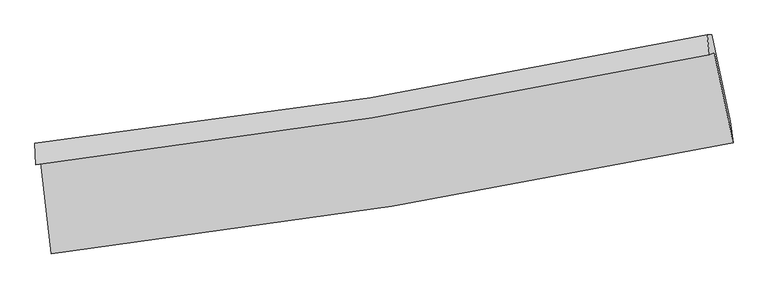
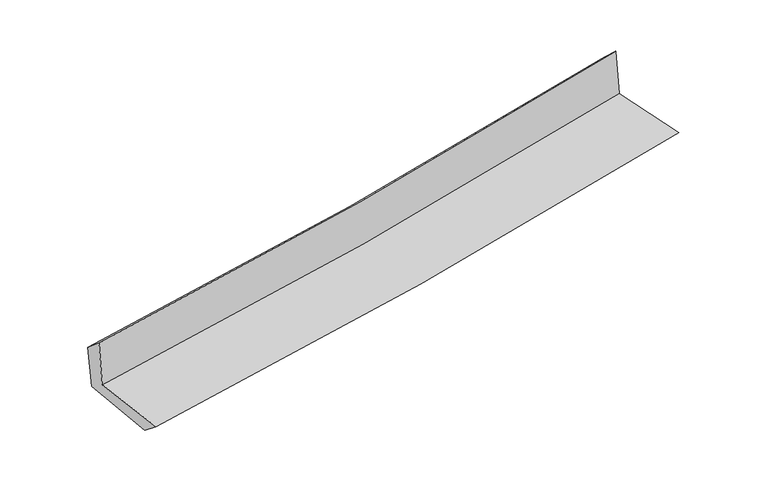
"""IFC4 building model written with IfcOpenShell, lengths in millimetres: proxy geometry."""

from ifc_helpers import new_model, si_unit, frame, origin, place, context, project, spatial, source, transform, mapped, element, save
from ifc_brep_helpers import plane_surface, spline_curve, spline_surface, advanced_brep


def generic_models_942ad541(model_context):
    return source(origin(), model_context, "Body", "AdvancedBrep", [
        advanced_brep(
        [(-2480.3869575, -1882.0029661, 1668.2375695), (-2401.1330823, -2545.0856484, 1661.1712275), (2569.1386992, -1733.6801771, 2109.8018662), (2432.4052559, -1080.5242958, 2118.6570315), (-2515.2829862, -1894.7499775, 2069.6226588), (2397.0742788, -1093.4301875, 2525.0450335), (-2521.8232378, -1738.2762811, 1937.2056933), (2379.936801, -948.8857917, 2386.7345897), (-2488.7030891, -1738.7211174, 1572.6421228), (2414.5519979, -949.1661129, 2017.3279554), (-2408.2385086, -2390.8258078, 1537.878902), (2548.5126191, -1579.9234452, 1988.2931483)],
        [
            (0, 1),
            (1, 2, spline_curve(3, [(-2401.1330823, -2545.0856484, 1661.1712275), (-1571.393796359, -2448.146430738, 1735.524447847), (-744.530629588, -2332.520981482, 1809.88730125), (912.288710648, -2062.455826274, 1959.430639329), (1742.182804616, -1907.612784951, 2034.611332395), (2569.1386992, -1733.6801771, 2109.8018662)], [4, 2, 4], [0.0, 8.204890313388452, 16.49785758019963])),
            (2, 3),
            (3, 0, spline_curve(3, [(2432.4052559, -1080.5242958, 2118.6570315), (1615.651001716, -1252.088064268, 2040.871682418), (795.671741365, -1404.916919244, 1964.249843693), (-841.993802892, -1671.680634279, 1814.13460628), (-1659.611946897, -1786.01133587, 1740.616624317), (-2480.3869575, -1882.0029661, 1668.2375695)], [4, 2, 4], [0.0, 8.292967266811177, 16.49785758019963])),
            (4, 0),
            (3, 5),
            (5, 4, spline_curve(3, [(2397.0742788, -1093.4301875, 2525.0450335), (1580.252342329, -1265.018679178, 2448.038187868), (760.276055124, -1417.846448296, 2371.382150078), (-877.243013439, -1684.556657876, 2219.582103768), (-1694.71914796, -1798.835485374, 2144.430683415), (-2515.2829862, -1894.7499775, 2069.6226588)], [4, 2, 4], [0.0, 8.245175093555225, 16.402780819076938])),
            (6, 4),
            (5, 7),
            (7, 6, spline_curve(3, [(2379.936801, -948.8857917, 2386.7345897), (1565.210293038, -1121.826930133, 2312.651855382), (747.168683348, -1274.322660587, 2237.946449054), (-886.821372767, -1537.020841962, 2088.09032738), (-1702.699775927, -1647.655274497, 2012.952768485), (-2521.8232378, -1738.2762811, 1937.2056933)], [4, 2, 4], [0.0, 8.234833325497231, 16.38220711957241])),
            (8, 6),
            (7, 9),
            (9, 8, spline_curve(3, [(2414.5519979, -949.1661129, 2017.3279554), (1600.024165531, -1122.149268394, 1939.082138737), (781.955442001, -1274.67975183, 1862.71421332), (-852.537734019, -1537.432617575, 1714.525279315), (-1668.887372974, -1648.087135801, 1642.664594085), (-2488.7030891, -1738.7211174, 1572.6421228)], [4, 2, 4], [0.0, 8.225363143469036, 16.363367335290974])),
            (10, 8),
            (9, 11),
            (11, 10, spline_curve(3, [(2548.5126191, -1579.9234452, 1988.2931483), (1724.400740935, -1754.450886118, 1909.17871704), (897.059847683, -1909.547381461, 1831.896324312), (-755.258752878, -2179.437621115, 1681.796950569), (-1580.168235329, -2294.641913059, 1608.9412612), (-2408.2385086, -2390.8258078, 1537.878902)], [4, 2, 4], [0.0, 8.272693939210134, 16.457526241527006])),
            (1, 10),
            (11, 2),
        ],
        [
            spline_surface(3, 3, [[(-2480.3869575, -1882.0029661, 1668.2375695), (-1659.61194691, -1786.011335902, 1740.616624295), (-841.993802862, -1671.68063426, 1814.134606313), (795.671741335, -1404.916919263, 1964.24984366), (1615.651001781, -1252.088064134, 2040.871682339), (2432.4052559, -1080.5242958, 2118.6570315)], [(-2453.968999113, -2103.030526878, 1665.882122166), (-1630.205896752, -2006.723034165, 1738.919232128), (-809.506078479, -1891.960750017, 1812.71883791), (834.544064467, -1624.096554902, 1962.643442245), (1657.828269378, -1470.596304391, 2038.784899022), (2477.983070356, -1298.242922912, 2115.705309751)], [(-2427.551040687, -2324.058087622, 1663.526674834), (-1600.799846553, -2227.434732394, 1737.221839965), (-777.018354074, -2112.240865796, 1811.303069537), (873.416387621, -1843.276190563, 1961.037040861), (1700.005536908, -1689.104544613, 2036.698115653), (2523.560884744, -1515.961549988, 2112.753587949)], [(-2401.1330823, -2545.0856484, 1661.1712275), (-1571.393796394, -2448.146430657, 1735.524447798), (-744.530629691, -2332.520981553, 1809.887301135), (912.288710752, -2062.455826203, 1959.430639446), (1742.182804505, -1907.61278487, 2034.611332337), (2569.1386992, -1733.6801771, 2109.8018662)]], [4, 4], [4, 2, 4], [0.0, 2.1910699383891044], [0.0, 8.204890313388452, 16.49785758019963]),
            spline_surface(3, 3, [[(-2515.2829862, -1894.7499775, 2069.6226588), (-1694.71914788, -1798.835485458, 2144.430683391), (-877.243013437, -1684.556657876, 2219.582103838), (760.276055122, -1417.846448296, 2371.382150007), (1580.252342348, -1265.018679205, 2448.038187787), (2397.0742788, -1093.4301875, 2525.0450335)], [(-2503.650976613, -1890.500973699, 1935.82762903), (-1683.016747536, -1794.560768939, 2009.825997022), (-865.493276577, -1680.264650016, 2084.432937992), (772.074617195, -1413.536605297, 2235.67138122), (1592.051895501, -1260.708474179, 2312.316019284), (2408.851271175, -1089.128223597, 2389.582366146)], [(-2492.018967087, -1886.251969901, 1802.03259927), (-1671.314347254, -1790.286052421, 1875.221310663), (-853.743539722, -1675.97264212, 1949.283772159), (783.873179263, -1409.226762262, 2099.960612447), (1603.851448628, -1256.39826916, 2176.593850842), (2420.628263525, -1084.826259703, 2254.119698854)], [(-2480.3869575, -1882.0029661, 1668.2375695), (-1659.61194691, -1786.011335902, 1740.616624295), (-841.993802862, -1671.68063426, 1814.134606313), (795.671741335, -1404.916919263, 1964.24984366), (1615.651001781, -1252.088064134, 2040.871682339), (2432.4052559, -1080.5242958, 2118.6570315)]], [4, 4], [4, 2, 4], [0.0, 1.3386990963301753], [0.0, 8.157605725521712, 16.402780819076938]),
            spline_surface(3, 3, [[(-2521.8232378, -1738.2762811, 1937.2056933), (-1702.69977604, -1647.655274374, 2012.952768365), (-886.821372854, -1537.020841826, 2088.0903274), (747.168683436, -1274.322660723, 2237.946449034), (1565.210293139, -1121.826930197, 2312.651855465), (2379.936801, -948.8857917, 2386.7345897)], [(-2519.643153941, -1790.434179886, 1981.344681813), (-1700.039566661, -1698.048678054, 2056.778740052), (-883.628586385, -1586.199447163, 2131.920919553), (751.537807328, -1322.163923235, 2282.425016031), (1570.224309511, -1169.55751322, 2357.780632921), (2385.649293569, -997.067256986, 2432.838070982)], [(-2517.463070059, -1842.592078714, 2025.483670287), (-1697.379357259, -1748.442081777, 2100.604711703), (-880.435799906, -1635.378052539, 2175.751511686), (755.90693123, -1370.005185785, 2326.903583009), (1575.238325976, -1217.288096183, 2402.909410332), (2391.361786231, -1045.248722214, 2478.941552218)], [(-2515.2829862, -1894.7499775, 2069.6226588), (-1694.71914788, -1798.835485458, 2144.430683391), (-877.243013437, -1684.556657876, 2219.582103838), (760.276055122, -1417.846448296, 2371.382150007), (1580.252342348, -1265.018679205, 2448.038187787), (2397.0742788, -1093.4301875, 2525.0450335)]], [4, 4], [4, 2, 4], [0.0, 0.6466770383680807], [0.0, 8.147373794075179, 16.38220711957241]),
            spline_surface(3, 3, [[(-2488.7030891, -1738.7211174, 1572.6421228), (-1668.887372988, -1648.087135854, 1642.664594064), (-852.537734148, -1537.432617681, 1714.525279448), (781.955442131, -1274.679751723, 1862.714213186), (1600.024165607, -1122.149268401, 1939.082138644), (2414.5519979, -949.1661129, 2017.3279554)], [(-2499.743138658, -1738.572838637, 1694.163312964), (-1680.158173997, -1647.94318203, 1766.093985495), (-863.965613715, -1537.295359071, 1839.04696212), (770.359855902, -1274.560721397, 1987.791625157), (1588.419541473, -1122.04182231, 2063.605377569), (2403.013598955, -949.072672477, 2140.463500151)], [(-2510.783188242, -1738.424559863, 1815.684503136), (-1691.428975031, -1647.799228197, 1889.523376934), (-875.393493288, -1537.158100437, 1963.568644728), (758.764269665, -1274.441691049, 2112.869037063), (1576.814917273, -1121.934376289, 2188.12861654), (2391.475199945, -948.979232123, 2263.599044949)], [(-2521.8232378, -1738.2762811, 1937.2056933), (-1702.69977604, -1647.655274374, 2012.952768365), (-886.821372854, -1537.020841826, 2088.0903274), (747.168683436, -1274.322660723, 2237.946449034), (1565.210293139, -1121.826930197, 2312.651855465), (2379.936801, -948.8857917, 2386.7345897)]], [4, 4], [4, 2, 4], [0.0, 1.2335864694842398], [0.0, 8.138004191821938, 16.363367335290974]),
            spline_surface(3, 3, [[(-2408.2385086, -2390.8258078, 1537.878902), (-1580.168235225, -2294.641913169, 1608.941261124), (-755.25875277, -2179.437621091, 1681.796950563), (897.059847573, -1909.547381485, 1831.896324318), (1724.400741034, -1754.450886028, 1909.178716984), (2548.5126191, -1579.9234452, 1988.2931483)], [(-2435.060035447, -2173.457577669, 1549.466642268), (-1609.74128116, -2079.123654067, 1620.182372105), (-787.685079885, -1965.435953287, 1692.706393505), (858.691712436, -1697.924838231, 1842.168953921), (1682.941882562, -1543.683680151, 1919.146524221), (2503.859078704, -1369.671001098, 1997.97141735)], [(-2461.881562253, -1956.089347531, 1561.054382532), (-1639.314327053, -1863.605394956, 1631.423483082), (-820.111407033, -1751.434285485, 1703.615836506), (820.323577268, -1486.302294977, 1852.441583584), (1641.483024079, -1332.916474279, 1929.114331407), (2459.205538296, -1159.418557002, 2007.64968635)], [(-2488.7030891, -1738.7211174, 1572.6421228), (-1668.887372988, -1648.087135854, 1642.664594064), (-852.537734148, -1537.432617681, 1714.525279448), (781.955442131, -1274.679751723, 1862.714213186), (1600.024165607, -1122.149268401, 1939.082138644), (2414.5519979, -949.1661129, 2017.3279554)]], [4, 4], [4, 2, 4], [0.0, 2.125868235483238], [0.0, 8.184832302316872, 16.457526241527006]),
            spline_surface(3, 3, [[(-2401.1330823, -2545.0856484, 1661.1712275), (-1571.393796394, -2448.146430657, 1735.524447798), (-744.530629691, -2332.520981553, 1809.887301135), (912.288710752, -2062.455826203, 1959.430639446), (1742.182804505, -1907.61278487, 2034.611332337), (2569.1386992, -1733.6801771, 2109.8018662)], [(-2403.501557728, -2493.66570153, 1620.073785659), (-1574.318609333, -2396.978258158, 1693.330052233), (-748.106670721, -2281.493194733, 1767.190517618), (907.212423022, -2011.486344631, 1916.919201077), (1736.255449989, -1856.558818585, 1992.800460539), (2562.263339142, -1682.42793313, 2069.29896022)], [(-2405.870033172, -2442.24575467, 1578.976343841), (-1577.243422287, -2345.810085668, 1651.135656689), (-751.68271174, -2230.46540791, 1724.49373408), (902.136135303, -1960.516863057, 1874.407762687), (1730.328095549, -1805.504852312, 1950.989588781), (2555.387979158, -1631.17568917, 2028.79605428)], [(-2408.2385086, -2390.8258078, 1537.878902), (-1580.168235225, -2294.641913169, 1608.941261124), (-755.25875277, -2179.437621091, 1681.796950563), (897.059847573, -1909.547381485, 1831.896324318), (1724.400741034, -1754.450886028, 1909.178716984), (2548.5126191, -1579.9234452, 1988.2931483)]], [4, 4], [4, 2, 4], [0.0, 0.6554435773840983], [0.0, 8.241491810960314, 16.571453481070755]),
            plane_surface(frame((2456.9366086, -1230.9350017, 2190.9766041), z_axis=(0.9749506439858724, 0.20286234705418532, 0.09120367283832363), x_axis=(-0.09329613012340679, 0.0007555320238194916, 0.9956381176287684))),
            plane_surface(frame((-2469.2613103, -2031.6102997, 1741.1263623), z_axis=(-0.9890413385120111, -0.11725752846108385, -0.08971010385440252), x_axis=(-0.11867201823286647, 0.9928771307232991, 0.010580896710922069))),
        ],
        [
            (0, [[1, 2, 3, 4]]),
            (1, [[5, -4, 6, 7]]),
            (2, [[8, -7, 9, 10]]),
            (3, [[11, -10, 12, 13]]),
            (4, [[14, -13, 15, 16]]),
            (5, [[17, -16, 18, -2]]),
            (6, [[-12, -9, -6, -3, -18, -15]]),
            (7, [[-1, -5, -8, -11, -14, -17]]),
        ],
    ),
    ])


if __name__ == "__main__":
    model = new_model("IFC4")
    model_context = context("Model", 3, world=origin())
    ifc_project = project(units=[si_unit("LENGTHUNIT", "METRE", prefix="MILLI")], contexts=[model_context])
    site = spatial("IfcSite", under=ifc_project)
    building = spatial("IfcBuilding", under=site)
    placement = place(None, origin())
    generic_models_shape = generic_models_942ad541(model_context)
    element("IfcBuildingElementProxy", 1, Name="Generic Models", at=placement, inside=building, context=model_context, shape_type="MappedRepresentation", body=[
        mapped(generic_models_shape, transform((0.0, 0.0, 0.0), x_axis=(1.0, 0.0, 0.0), y_axis=(0.0, 1.0, 0.0), z_axis=(0.0, 0.0, 1.0))),
    ])
    save(model, "model.ifc")
